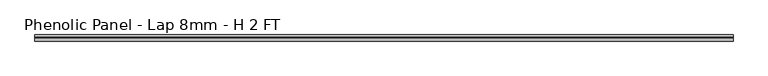
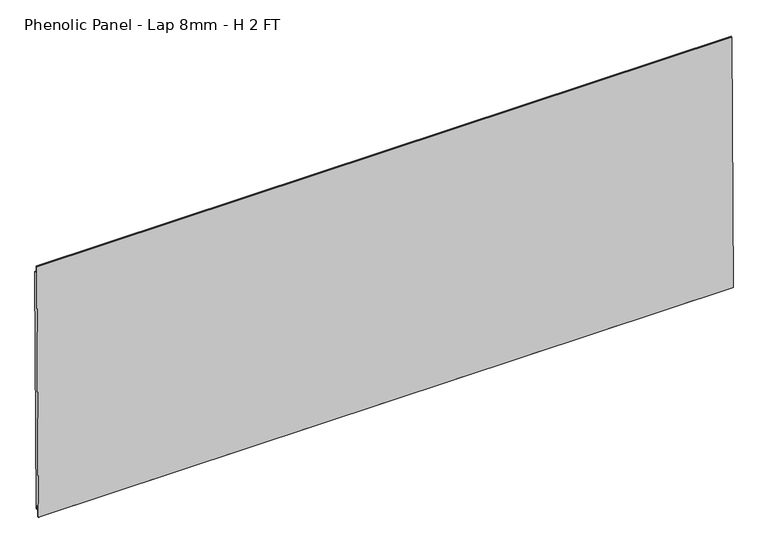
"""IFC4 building model written with IfcOpenShell, lengths in millimetres: proxy geometry, Phenolic Panel - Lap 8mm - H 2 FT."""

import ifcopenshell
import ifcopenshell.guid

model = None  # the IFC model being written
_history = None  # IfcOwnerHistory: only IFC2X3 demands one
_inside = {}  # id of a spatial element -> (the spatial element, [elements in it])
_under = {}  # id of a project, library or spatial element -> (it, [spatial elements below it])
_declared = {}  # id of a project -> (the project, [libraries it declares])
_typed = {}  # id of a type object -> (the type object, [elements of that type])
_made_of = {}  # id of a material, layer set ... -> (it, [elements and type objects made of it])


def new_model(schema):
    """Start an empty IFC model of exactly this schema.

    Asked for "IFC4X3", IfcOpenShell would pick the latest addendum, in which some entities
    have other attributes; the version numbers below select the first issue.
    IFC2X3 requires an IfcOwnerHistory on every rooted entity: one is made here for all.
    """
    global model, _history
    if schema == "IFC4X3":
        model = ifcopenshell.file(schema_version=(4, 3, 0, 0))
    else:
        model = ifcopenshell.file(schema=schema)
    _inside.clear()
    _under.clear()
    _declared.clear()
    _typed.clear()
    _made_of.clear()
    _history = None
    if model.schema == "IFC2X3":
        org = make("IfcOrganization", Name="unknown")
        user = make(
            "IfcPersonAndOrganization",
            ThePerson=make("IfcPerson", FamilyName="unknown"),
            TheOrganization=org,
        )
        app = make(
            "IfcApplication",
            ApplicationDeveloper=org,
            Version="unknown",
            ApplicationFullName="unknown",
            ApplicationIdentifier="unknown",
        )
        _history = make(
            "IfcOwnerHistory",
            OwningUser=user,
            OwningApplication=app,
            ChangeAction="ADDED",
            CreationDate=0,
        )
    return model


def make(cls, **values):
    """One entity of the class cls with the attributes given. An attribute that is None is left unset."""
    return model.create_entity(
        cls, **{name: value for name, value in values.items() if value is not None}
    )


def rooted(cls, **values):
    """An entity with a GlobalId (a new one), such as an element, a storey or a relation."""
    return make(cls, GlobalId=ifcopenshell.guid.new(), OwnerHistory=_history, **values)


def si_unit(unit_type, name, prefix=None):
    """IfcSIUnit, for example si_unit("LENGTHUNIT", "METRE", prefix="MILLI")."""
    return make("IfcSIUnit", UnitType=unit_type, Prefix=prefix, Name=name)


def assignment(units):
    """IfcUnitAssignment: the units of a project."""
    return None if units is None else make("IfcUnitAssignment", Units=units)


def point(xyz):
    """IfcCartesianPoint."""
    return None if xyz is None else make("IfcCartesianPoint", Coordinates=xyz)


def direction(xyz):
    """IfcDirection."""
    return None if xyz is None else make("IfcDirection", DirectionRatios=xyz)


def frame(location, z_axis=None, x_axis=None):
    """IfcAxis2Placement3D, a coordinate frame: its origin and axes. An axis left out is left unset."""
    return make(
        "IfcAxis2Placement3D",
        Location=point(location),
        Axis=direction(z_axis),
        RefDirection=direction(x_axis),
    )


def origin():
    """The frame at (0, 0, 0) with its axes left unset."""
    return frame((0.0, 0.0, 0.0))


def place(relative_to, where):
    """IfcLocalPlacement: puts the frame where relative to a parent placement (None: the world)."""
    return make(
        "IfcLocalPlacement", PlacementRelTo=relative_to, RelativePlacement=where
    )


def context(
    kind, dimensions, precision=None, world=None, true_north=None, identifier=None
):
    """IfcGeometricRepresentationContext, for example the 3D "Model" context."""
    return make(
        "IfcGeometricRepresentationContext",
        ContextIdentifier=identifier,
        ContextType=kind,
        CoordinateSpaceDimension=dimensions,
        Precision=precision,
        WorldCoordinateSystem=world,
        TrueNorth=true_north,
    )


def project(units=None, contexts=None):
    """IfcProject with its units and contexts."""
    return rooted(
        "IfcProject",
        Name="project",
        RepresentationContexts=contexts,
        UnitsInContext=assignment(units),
    )


def spatial(cls, under=None, at=None, **own):
    """A site, building, storey or space (cls), placed at a placement, below another one or the project."""
    s = rooted(cls, ObjectPlacement=at, **own)
    if under is not None:
        _under.setdefault(under.id(), (under, []))[1].append(s)
    return s


def polyline(points):
    """IfcPolyline through the points."""
    return make("IfcPolyline", Points=[point(p) for p in points])


def outline(outer, holes=None, kind="AREA"):
    """IfcArbitraryClosedProfileDef: a profile drawn as a closed curve; with holes, ...WithVoids."""
    if holes is None:
        return make("IfcArbitraryClosedProfileDef", ProfileType=kind, OuterCurve=outer)
    return make(
        "IfcArbitraryProfileDefWithVoids",
        ProfileType=kind,
        OuterCurve=outer,
        InnerCurves=holes,
    )


def extrude(swept, where, along, depth):
    """IfcExtrudedAreaSolid: the profile swept, set in the frame where, extruded along a direction by depth."""
    return make(
        "IfcExtrudedAreaSolid",
        SweptArea=swept,
        Position=where,
        ExtrudedDirection=direction(along),
        Depth=depth,
    )


def shape(context_of_items, identifier, shape_type, items):
    """IfcShapeRepresentation: the items that make up one representation, for example the "Body"."""
    return make(
        "IfcShapeRepresentation",
        ContextOfItems=context_of_items,
        RepresentationIdentifier=identifier,
        RepresentationType=shape_type,
        Items=items,
    )


def source(mapping_origin, context_of_items, identifier, shape_type, items):
    """IfcRepresentationMap: a shape defined once, which mapped items show again and again."""
    return make(
        "IfcRepresentationMap",
        MappingOrigin=mapping_origin,
        MappedRepresentation=shape(context_of_items, identifier, shape_type, items),
    )


def transform(
    local_origin,
    x_axis=None,
    y_axis=None,
    z_axis=None,
    scale=None,
    scale2=None,
    scale3=None,
    uniform=True,
):
    """IfcCartesianTransformationOperator3D, or its non-uniform kind. x_axis, y_axis, z_axis: its Axis1, 2, 3."""
    if uniform:
        return make(
            "IfcCartesianTransformationOperator3D",
            Axis1=direction(x_axis),
            Axis2=direction(y_axis),
            LocalOrigin=point(local_origin),
            Scale=scale,
            Axis3=direction(z_axis),
        )
    return make(
        "IfcCartesianTransformationOperator3DnonUniform",
        Axis1=direction(x_axis),
        Axis2=direction(y_axis),
        LocalOrigin=point(local_origin),
        Scale=scale,
        Axis3=direction(z_axis),
        Scale2=scale2,
        Scale3=scale3,
    )


def mapped(mapping_source, mapping_target):
    """IfcMappedItem: shows the shape of a source again, moved by a transform."""
    return make(
        "IfcMappedItem", MappingSource=mapping_source, MappingTarget=mapping_target
    )


def made_of(thing, what):
    """Note that an element or type object is made of a material, layer set ...; save() writes the relation."""
    if what is not None:
        _made_of.setdefault(what.id(), (what, []))[1].append(thing)
    return thing


def element(
    cls,
    number,
    at=None,
    inside=None,
    cuts=None,
    type_object=None,
    material=None,
    context=None,
    identifier="Body",
    shape_type=None,
    held_by="IfcProductDefinitionShape",
    body=None,
    shapes=None,
    **own,
):
    """One element of the class cls, such as IfcWall. Its Tag is "e" and its number.

    at: its placement. inside: the storey or other place that contains it. cuts: it is an
    opening in that element (IfcRelVoidsElement). A single representation is given by context,
    identifier, shape_type and body (its items); several are given by shapes. held_by: the class
    of the entity that holds the representations. save() writes the other relations.
    """
    e = rooted(cls, Tag="e%d" % number, ObjectPlacement=at, **own)
    if body is not None:
        shapes = [shape(context, identifier, shape_type, body)]
    if shapes is not None:
        e.Representation = make(held_by, Representations=shapes)
    if inside is not None:
        _inside.setdefault(inside.id(), (inside, []))[1].append(e)
    if cuts is not None:
        rooted(
            "IfcRelVoidsElement", RelatingBuildingElement=cuts, RelatedOpeningElement=e
        )
    if type_object is not None:
        _typed.setdefault(type_object.id(), (type_object, []))[1].append(e)
    return made_of(e, material)


def aggregate(whole, parts):
    """IfcRelAggregates: a whole, such as a stair, and the parts it consists of."""
    return rooted("IfcRelAggregates", RelatingObject=whole, RelatedObjects=parts)


def save(model, path):
    """Write the relations noted so far, then the file.

    IfcRelAggregates (storeys below a building ...), IfcRelContainedInSpatialStructure (elements
    in a storey), IfcRelDefinesByType, IfcRelAssociatesMaterial and IfcRelDeclares: one each for
    every whole, place, type object, material and project.
    """
    for whole, parts in _under.values():
        aggregate(whole, parts)
    for where, things in _inside.values():
        rooted(
            "IfcRelContainedInSpatialStructure",
            RelatedElements=things,
            RelatingStructure=where,
        )
    for kind, things in _typed.values():
        rooted("IfcRelDefinesByType", RelatedObjects=things, RelatingType=kind)
    for what, things in _made_of.values():
        rooted("IfcRelAssociatesMaterial", RelatedObjects=things, RelatingMaterial=what)
    for by, libraries in _declared.values():
        rooted("IfcRelDeclares", RelatingContext=by, RelatedDefinitions=libraries)
    model.write(path)


def phenolic_panel_lap_8mm_h_2_ft_57b15d96(model_context):
    return source(origin(), model_context, "Body", "SweptSolid", [
        extrude(outline(polyline([(2.7732555, 593.6735917), (-2.4688477, 47.5987522), (-4.849988, 47.6216102), (-4.7737946, 55.5587445), (-7.3533633, 55.5835073), (-7.5819434, 31.7721044), (-9.5523841, 31.7910199), (-10.5487117, 32.8066615), (-5.0211492, 608.618069), (-4.0055075, 609.6143966), (-2.6240021, 609.6011347), (-2.7763888, 593.7268661), (2.7732555, 593.6735917)])), frame((-301.625, 0.0, 0.0), z_axis=(1.0, 0.0, 0.0), x_axis=(0.0, 1.0, 0.0)), (0.0, 0.0, 1.0), 1520.825),
    ])


if __name__ == "__main__":
    model = new_model("IFC4")
    model_context = context("Model", 3, world=origin())
    ifc_project = project(units=[si_unit("LENGTHUNIT", "METRE", prefix="MILLI")], contexts=[model_context])
    site = spatial("IfcSite", under=ifc_project)
    building = spatial("IfcBuilding", under=site)
    placement = place(None, origin())
    phenolic_panel_lap_8mm_h_2_ft_shape = phenolic_panel_lap_8mm_h_2_ft_57b15d96(model_context)
    element("IfcBuildingElementProxy", 1, Name="Phenolic Panel - Lap 8mm - H 2 FT", ObjectType="Phenolic Panel - Lap 8mm - H 2 FT", at=placement, inside=building, context=model_context, shape_type="MappedRepresentation", body=[
        mapped(phenolic_panel_lap_8mm_h_2_ft_shape, transform((0.0, 0.0, 0.0), x_axis=(1.0, 0.0, 0.0), y_axis=(0.0, 1.0, 0.0), z_axis=(0.0, 0.0, 1.0))),
    ])
    save(model, "model.ifc")
